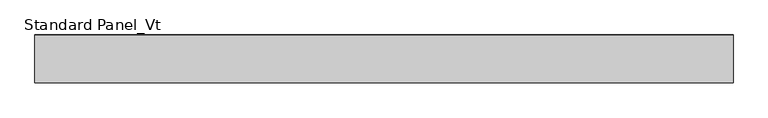
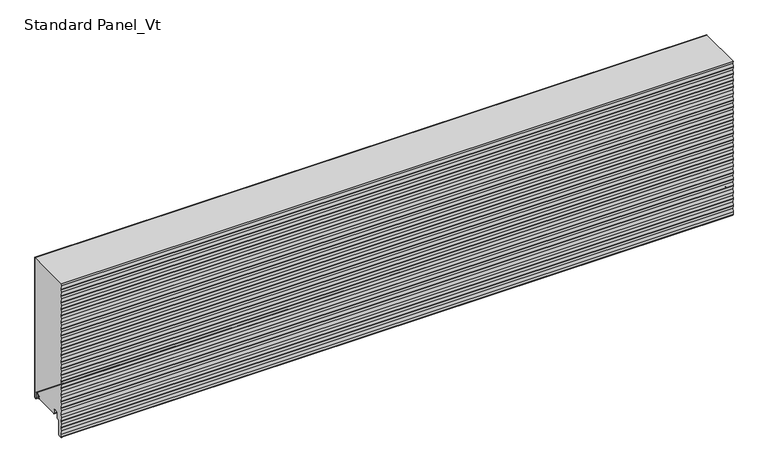
"""IFC4 building model written with IfcOpenShell, lengths in millimetres: proxy geometry, Standard Panel_Vt."""

from ifc_helpers import new_model, si_unit, point, frame, frame_2d, origin, place, context, project, spatial, polyline, circle_curve, trimmed, segment, composite_curve, outline, extrude, source, transform, mapped, element, save
from ifc_brep_helpers import plane_surface, cylinder_surface, revolved_surface, advanced_brep


def standard_panel_vt_c4888413(model_context):
    return source(origin(), model_context, "Body", "SolidModel", [
        advanced_brep(
        [(723.9042608, -16.8616061, 8.3748387), (723.9042608, -17.5608112, 13.298966), (723.9042608, -16.7687564, 13.4114344), (723.9042608, -16.0695512, 8.4873071), (723.9042608, -14.4896502, 8.460857), (723.9042608, -13.7270772, 12.7856233), (723.9042608, -4.2, 11.9521121), (723.9042608, -4.2, 2.4521121), (723.9042608, -0.8, 2.4521121), (723.9042608, -0.8, 320.0), (723.9042608, -98.9297841, 320.0), (723.9042608, -98.2307297, 314.7570927), (723.9042608, -99.1685508, 307.7234349), (723.9042608, -99.1685508, 306.770268), (723.9042608, -98.2307297, 299.7366102), (723.9042608, -99.1685508, 292.7029524), (723.9042608, -99.1685508, 291.7497855), (723.9042608, -98.2307297, 284.7161278), (723.9042608, -99.1685508, 277.68247), (723.9042608, -99.1685508, 276.7293031), (723.9042608, -98.2307297, 269.6956453), (723.9042608, -99.1685508, 262.6619875), (723.9042608, -99.1685508, 261.7088206), (723.9042608, -98.2307297, 254.6751629), (723.9042608, -99.1685508, 247.6415051), (723.9042608, -99.1685508, 246.6883382), (723.9042608, -98.2307297, 239.6546804), (723.9042608, -99.1685508, 232.6210227), (723.9042608, -99.1685508, 231.6678557), (723.9042608, -98.2307297, 224.634198), (723.9042608, -99.1685508, 217.6005402), (723.9042608, -99.1685508, 216.6473733), (723.9042608, -98.2307297, 209.6137155), (723.9042608, -99.1685508, 202.5800578), (723.9042608, -99.1685508, 201.6268908), (723.9042608, -98.2307297, 194.5932331), (723.9042608, -99.1685508, 187.5595753), (723.9042608, -99.1685508, 186.6064084), (723.9042608, -98.2307297, 179.5727507), (723.9042608, -99.1685508, 172.5390929), (723.9042608, -99.1685508, 171.585926), (723.9042608, -98.2307297, 164.5522682), (723.9042608, -99.1685508, 157.5186104), (723.9042608, -99.1685508, 156.5654435), (723.9042608, -98.2307297, 149.5317858), (723.9042608, -99.1685508, 142.498128), (723.9042608, -99.1685508, 141.5449611), (723.9042608, -98.2307297, 134.5113033), (723.9042608, -99.1685508, 127.4776455), (723.9042608, -99.1685508, 126.5244786), (723.9042608, -98.2307297, 119.4908209), (723.9042608, -99.1685508, 112.4571631), (723.9042608, -99.1685508, 111.5039962), (723.9042608, -98.2307297, 104.4703384), (723.9042608, -99.1685508, 97.4366807), (723.9042608, -99.1685508, 96.4835137), (723.9042608, -98.2307297, 89.449856), (723.9042608, -99.1685508, 82.4161982), (723.9042608, -99.1685508, 81.4630313), (723.9042608, -98.2307297, 74.4293735), (723.9042608, -99.1685508, 67.3957158), (723.9042608, -99.1685508, 66.4425488), (723.9042608, -98.2307297, 59.4088911), (723.9042608, -99.1685508, 52.3752333), (723.9042608, -99.1685508, 51.4220664), (723.9042608, -98.2307297, 44.3884087), (723.9042608, -99.1685508, 37.3547509), (723.9042608, -99.1685508, 36.401584), (723.9042608, -98.2307297, 29.3679262), (723.9042608, -99.2320952, 21.857685), (723.9042608, -98.2307297, 14.3474437), (723.9042608, -99.1685508, 7.313786), (723.9042608, -99.1685508, 6.3606191), (723.9042608, -98.2307297, -0.6730387), (723.9042608, -99.1685508, -7.7066964), (723.9042608, -99.1685508, -8.6598634), (723.9042608, -98.2307297, -15.6935211), (723.9042608, -99.2001678, -22.9643066), (723.9042608, -99.2001678, -28.9549199), (723.9042608, -96.199151, -31.704823), (723.9042608, -91.4524611, -31.2895029), (723.9042608, -88.8050506, -28.4003379), (723.9042608, -88.8050506, 1.2289307), (723.9042608, -86.4052467, 3.6287346), (723.9042608, -84.4052467, 3.6287346), (723.9042608, -82.8050506, 5.2289307), (723.9042608, -82.8050506, 15.8984215), (723.9042608, -79.6552467, 19.0482254), (723.9042608, -75.2552452, 19.0482254), (723.9042608, -72.1054412, 15.8984215), (723.9042608, -72.1054413, 8.1391937), (723.9042608, -71.3050506, 8.1391937), (723.9042608, -71.3050506, 9.509193), (723.9042608, -70.5050506, 9.509193), (723.9042608, -70.5050506, 8.1391937), (723.9042608, -71.327315, 7.000055), (723.9042608, -15.3042944, 7.0), (-723.9042608, -16.8616061, 8.3748387), (-723.9042608, -15.3042944, 7.0), (-723.9042608, -71.327315, 7.000055), (-723.9042608, -70.5050506, 8.1391937), (-723.9042608, -70.5050506, 9.509193), (-723.9042608, -71.3050506, 9.509193), (-723.9042608, -71.3050506, 8.1391937), (-723.9042608, -72.1054413, 8.1391937), (-723.9042608, -72.1054413, 15.8984215), (-723.9042608, -75.2552452, 19.0482254), (-723.9042608, -79.6552467, 19.0482254), (-723.9042608, -82.8050506, 15.8984215), (-723.9042608, -82.8050506, 5.2289307), (-723.9042608, -84.4052467, 3.6287346), (-723.9042608, -86.4052467, 3.6287346), (-723.9042608, -88.8050506, 1.2289307), (-723.9042608, -88.8050506, -28.4003379), (-723.9042608, -91.4524611, -31.2895029), (-723.9042608, -96.199151, -31.704823), (-723.9042608, -99.2001678, -28.9549199), (-723.9042608, -99.2001678, -22.9643066), (-723.9042608, -98.2307297, -15.6935211), (-723.9042608, -99.1685508, -8.6598634), (-723.9042608, -99.1685508, -7.7066964), (-723.9042608, -98.2307297, -0.6730387), (-723.9042608, -99.1685508, 6.3606191), (-723.9042608, -99.1685508, 7.313786), (-723.9042608, -98.2307297, 14.3474437), (-723.9042608, -99.2320952, 21.857685), (-723.9042608, -98.2307297, 29.3679262), (-723.9042608, -99.1685508, 36.401584), (-723.9042608, -99.1685508, 37.3547509), (-723.9042608, -98.2307297, 44.3884087), (-723.9042608, -99.1685508, 51.4220664), (-723.9042608, -99.1685508, 52.3752333), (-723.9042608, -98.2307297, 59.4088911), (-723.9042608, -99.1685508, 66.4425488), (-723.9042608, -99.1685508, 67.3957158), (-723.9042608, -98.2307297, 74.4293735), (-723.9042608, -99.1685508, 81.4630313), (-723.9042608, -99.1685508, 82.4161982), (-723.9042608, -98.2307297, 89.449856), (-723.9042608, -99.1685508, 96.4835137), (-723.9042608, -99.1685508, 97.4366807), (-723.9042608, -98.2307297, 104.4703384), (-723.9042608, -99.1685508, 111.5039962), (-723.9042608, -99.1685508, 112.4571631), (-723.9042608, -98.2307297, 119.4908209), (-723.9042608, -99.1685508, 126.5244786), (-723.9042608, -99.1685508, 127.4776455), (-723.9042608, -98.2307297, 134.5113033), (-723.9042608, -99.1685508, 141.5449611), (-723.9042608, -99.1685508, 142.498128), (-723.9042608, -98.2307297, 149.5317858), (-723.9042608, -99.1685508, 156.5654435), (-723.9042608, -99.1685508, 157.5186104), (-723.9042608, -98.2307297, 164.5522682), (-723.9042608, -99.1685508, 171.585926), (-723.9042608, -99.1685508, 172.5390929), (-723.9042608, -98.2307297, 179.5727507), (-723.9042608, -99.1685508, 186.6064084), (-723.9042608, -99.1685508, 187.5595753), (-723.9042608, -98.2307297, 194.5932331), (-723.9042608, -99.1685508, 201.6268908), (-723.9042608, -99.1685508, 202.5800578), (-723.9042608, -98.2307297, 209.6137155), (-723.9042608, -99.1685508, 216.6473733), (-723.9042608, -99.1685508, 217.6005402), (-723.9042608, -98.2307297, 224.634198), (-723.9042608, -99.1685508, 231.6678557), (-723.9042608, -99.1685508, 232.6210227), (-723.9042608, -98.2307297, 239.6546804), (-723.9042608, -99.1685508, 246.6883382), (-723.9042608, -99.1685508, 247.6415051), (-723.9042608, -98.2307297, 254.6751629), (-723.9042608, -99.1685508, 261.7088206), (-723.9042608, -99.1685508, 262.6619875), (-723.9042608, -98.2307297, 269.6956453), (-723.9042608, -99.1685508, 276.7293031), (-723.9042608, -99.1685508, 277.68247), (-723.9042608, -98.2307297, 284.7161278), (-723.9042608, -99.1685508, 291.7497855), (-723.9042608, -99.1685508, 292.7029524), (-723.9042608, -98.2307297, 299.7366102), (-723.9042608, -99.1685508, 306.770268), (-723.9042608, -99.1685508, 307.7234349), (-723.9042608, -98.2307297, 314.7570927), (-723.9042608, -98.9297841, 320.0), (-723.9042608, -0.8, 320.0), (-723.9042608, -0.8, 2.4521121), (-723.9042608, -4.2, 2.4521121), (-723.9042608, -4.2, 11.9521121), (-723.9042608, -13.7270772, 12.7856233), (-723.9042608, -14.4896502, 8.460857), (-723.9042608, -16.0695512, 8.4873071), (-723.9042608, -16.7687564, 13.4114344), (-723.9042608, -17.5608112, 13.298966)],
        [
            (0, 1),
            (1, 2),
            (2, 3),
            (3, 4, circle_curve(frame((723.9042608, -15.2774964, 8.5997756), z_axis=(1.0, 0.0, 0.0), x_axis=(0.0, 0.9848077530117169, -0.17364817766971632)), 0.8)),
            (4, 5),
            (5, 6, circle_curve(frame((723.9042608, -9.0, 11.9521121), z_axis=(-1.0, 0.0, 0.0), x_axis=(0.0, 1.0, 1.866951038208841e-12)), 4.8)),
            (6, 7),
            (7, 8, circle_curve(frame((723.9042608, -2.5, 2.4521121), z_axis=(1.0, 0.0, 0.0), x_axis=(0.0, 1.0, 2.9103830456776054e-12)), 1.7)),
            (8, 9),
            (9, 10),
            (10, 11),
            (11, 12),
            (12, 13, circle_curve(frame((723.9042608, -95.5941749, 307.2468514), z_axis=(1.0, 0.0, 0.0), x_axis=(0.0, -0.9912279006026581, -0.1321637206908423)), 3.6060082)),
            (13, 14),
            (14, 15),
            (15, 16, circle_curve(frame((723.9042608, -95.5941749, 292.226369), z_axis=(1.0, 0.0, 0.0), x_axis=(0.0, -0.991227900604324, -0.13216372067834886)), 3.6060082)),
            (16, 17),
            (17, 18),
            (18, 19, circle_curve(frame((723.9042608, -95.5941749, 277.2058865), z_axis=(1.0, 0.0, 0.0), x_axis=(0.0, -0.9912279006026437, -0.1321637206909507)), 3.6060082)),
            (19, 20),
            (20, 21),
            (21, 22, circle_curve(frame((723.9042608, -95.5941749, 262.1854041), z_axis=(1.0, 0.0, 0.0), x_axis=(0.0, -0.991227900604324, -0.13216372067834883)), 3.6060082)),
            (22, 23),
            (23, 24),
            (24, 25, circle_curve(frame((723.9042608, -95.5941749, 247.1649216), z_axis=(1.0, 0.0, 0.0), x_axis=(0.0, -0.9912279006026437, -0.1321637206909507)), 3.6060082)),
            (25, 26),
            (26, 27),
            (27, 28, circle_curve(frame((723.9042608, -95.5941749, 232.1444392), z_axis=(1.0, 0.0, 0.0), x_axis=(0.0, -0.9912279006026581, -0.13216372069084273)), 3.6060082)),
            (28, 29),
            (29, 30),
            (30, 31, circle_curve(frame((723.9042608, -95.5941749, 217.1239568), z_axis=(1.0, 0.0, 0.0), x_axis=(0.0, -0.991227900604324, -0.13216372067834886)), 3.6060082)),
            (31, 32),
            (32, 33),
            (33, 34, circle_curve(frame((723.9042608, -95.5941749, 202.1034743), z_axis=(1.0, 0.0, 0.0), x_axis=(0.0, -0.991227900604324, -0.13216372067834883)), 3.6060082)),
            (34, 35),
            (35, 36),
            (36, 37, circle_curve(frame((723.9042608, -95.5941749, 187.0829919), z_axis=(1.0, 0.0, 0.0), x_axis=(0.0, -0.991227900604324, -0.13216372067834883)), 3.6060082)),
            (37, 38),
            (38, 39),
            (39, 40, circle_curve(frame((723.9042608, -95.5941749, 172.0625094), z_axis=(1.0, 0.0, 0.0), x_axis=(0.0, -0.9912279006026581, -0.13216372069084228)), 3.6060082)),
            (40, 41),
            (41, 42),
            (42, 43, circle_curve(frame((723.9042608, -95.5941749, 157.042027), z_axis=(1.0, 0.0, 0.0), x_axis=(0.0, -0.991227900604324, -0.13216372067834883)), 3.6060082)),
            (43, 44),
            (44, 45),
            (45, 46, circle_curve(frame((723.9042608, -95.5941749, 142.0215445), z_axis=(1.0, 0.0, 0.0), x_axis=(0.0, -0.991227900604324, -0.13216372067834886)), 3.6060082)),
            (46, 47),
            (47, 48),
            (48, 49, circle_curve(frame((723.9042608, -95.5941749, 127.0010621), z_axis=(1.0, 0.0, 0.0), x_axis=(0.0, -0.991227900604324, -0.13216372067834886)), 3.6060082)),
            (49, 50),
            (50, 51),
            (51, 52, circle_curve(frame((723.9042608, -95.5941749, 111.9805796), z_axis=(1.0, 0.0, 0.0), x_axis=(0.0, -0.9912279006026437, -0.1321637206909507)), 3.6060082)),
            (52, 53),
            (53, 54),
            (54, 55, circle_curve(frame((723.9042608, -95.5941749, 96.9600972), z_axis=(1.0, 0.0, 0.0), x_axis=(0.0, -0.9912279006026581, -0.13216372069084228)), 3.6060082)),
            (55, 56),
            (56, 57),
            (57, 58, circle_curve(frame((723.9042608, -95.5941749, 81.9396148), z_axis=(1.0, 0.0, 0.0), x_axis=(0.0, -0.991227900604324, -0.13216372067834886)), 3.6060082)),
            (58, 59),
            (59, 60),
            (60, 61, circle_curve(frame((723.9042608, -95.5941749, 66.9191323), z_axis=(1.0, 0.0, 0.0), x_axis=(0.0, -0.9912279006026581, -0.13216372069084273)), 3.6060082)),
            (61, 62),
            (62, 63),
            (63, 64, circle_curve(frame((723.9042608, -95.5941749, 51.8986499), z_axis=(1.0, 0.0, 0.0), x_axis=(0.0, -0.991227900604324, -0.13216372067834886)), 3.6060082)),
            (64, 65),
            (65, 66),
            (66, 67, circle_curve(frame((723.9042608, -95.5941749, 36.8781674), z_axis=(1.0, 0.0, 0.0), x_axis=(0.0, -0.9912279006026437, -0.13216372069095067)), 3.6060082)),
            (67, 68),
            (68, 69),
            (69, 70),
            (70, 71),
            (71, 72, circle_curve(frame((723.9042608, -95.5941749, 6.8372025), z_axis=(1.0, 0.0, 0.0), x_axis=(0.0, -0.9912279006835754, -0.13216372008396318)), 3.6060082)),
            (72, 73),
            (73, 74),
            (74, 75, circle_curve(frame((723.9042608, -95.5941749, -8.1832799), z_axis=(1.0, 0.0, 0.0), x_axis=(0.0, -0.9912279006819383, -0.13216372009624072)), 3.6060082)),
            (75, 76),
            (76, 77),
            (77, 78),
            (78, 79, circle_curve(frame((723.9042608, -96.4397587, -28.9549199), z_axis=(1.0, 0.0, 0.0), x_axis=(0.0, 0.0872609266942445, -0.9961854900933168)), 2.7604092)),
            (79, 80),
            (80, 81, circle_curve(frame((723.9042608, -91.7052538, -28.4003379), z_axis=(1.0, 0.0, 0.0), x_axis=(0.0, 0.9999999982109751, -5.9816804062999516e-05)), 2.9002032)),
            (81, 82),
            (82, 83, circle_curve(frame((723.9042608, -86.4052467, 1.2289307), z_axis=(-1.0, 0.0, 0.0), x_axis=(0.0, -0.00012160837720593023, 0.9999999926057013)), 2.3998039)),
            (83, 84),
            (84, 85, circle_curve(frame((723.9042608, -84.4052467, 5.2289307), z_axis=(1.0, 0.0, 0.0), x_axis=(0.0, 0.9999999967149873, -8.105569452879044e-05)), 1.6001961)),
            (85, 86),
            (86, 87, circle_curve(frame((723.9042608, -79.6552467, 15.8984215), z_axis=(-1.0, 0.0, 0.0), x_axis=(0.0, -8.279395633477211e-05, 0.9999999965725804)), 3.1498039)),
            (87, 88),
            (88, 89, circle_curve(frame((723.9042608, -75.2552452, 15.8984215), z_axis=(-1.0, 0.0, 0.0), x_axis=(0.0, 0.9999999965725807, -8.279395323189944e-05)), 3.1498039)),
            (89, 90),
            (90, 91, circle_curve(frame((723.9042608, -71.7052459, 8.1391937), z_axis=(1.0, 0.0, 0.0), x_axis=(0.0, 1.0, 0.0)), 0.4001953)),
            (91, 92),
            (92, 93),
            (93, 94),
            (94, 95, circle_curve(frame((723.9042608, -71.7052459, 8.1391937), z_axis=(-1.0, 0.0, 0.0), x_axis=(0.0, 1.0, 0.0)), 1.2001953)),
            (95, 96),
            (96, 0, circle_curve(frame((723.9042608, -15.2774964, 8.5997756), z_axis=(-1.0, 0.0, 0.0), x_axis=(0.0, 0.9848077530117169, -0.17364817766971632)), 1.6)),
            (97, 98, circle_curve(frame((-723.9042608, -15.2774964, 8.5997756), z_axis=(1.0, 0.0, 0.0), x_axis=(0.0, 0.9848077530117169, -0.17364817766971632)), 1.6)),
            (98, 99),
            (99, 100, circle_curve(frame((-723.9042608, -71.7052459, 8.1391937), z_axis=(1.0, 0.0, 0.0), x_axis=(0.0, 1.0, 0.0)), 1.2001953)),
            (100, 101),
            (101, 102),
            (102, 103),
            (103, 104, circle_curve(frame((-723.9042608, -71.7052459, 8.1391937), z_axis=(-1.0, 0.0, 0.0), x_axis=(0.0, 1.0, 0.0)), 0.4001953)),
            (104, 105),
            (105, 106, circle_curve(frame((-723.9042608, -75.2552452, 15.8984215), z_axis=(1.0, 0.0, 0.0), x_axis=(0.0, 0.9999999965725807, -8.279395323189944e-05)), 3.1498039)),
            (106, 107),
            (107, 108, circle_curve(frame((-723.9042608, -79.6552467, 15.8984215), z_axis=(1.0, 0.0, 0.0), x_axis=(0.0, -8.279395633477211e-05, 0.9999999965725804)), 3.1498039)),
            (108, 109),
            (109, 110, circle_curve(frame((-723.9042608, -84.4052467, 5.2289307), z_axis=(-1.0, 0.0, 0.0), x_axis=(0.0, 0.9999999967149873, -8.105569452879044e-05)), 1.6001961)),
            (110, 111),
            (111, 112, circle_curve(frame((-723.9042608, -86.4052467, 1.2289307), z_axis=(1.0, 0.0, 0.0), x_axis=(0.0, -0.00012160837720593023, 0.9999999926057013)), 2.3998039)),
            (112, 113),
            (113, 114, circle_curve(frame((-723.9042608, -91.7052538, -28.4003379), z_axis=(-1.0, 0.0, 0.0), x_axis=(0.0, 0.9999999982109751, -5.9816804062999516e-05)), 2.9002032)),
            (114, 115),
            (115, 116, circle_curve(frame((-723.9042608, -96.4397587, -28.9549199), z_axis=(-1.0, 0.0, 0.0), x_axis=(0.0, 0.0872609266942445, -0.9961854900933168)), 2.7604092)),
            (116, 117),
            (117, 118),
            (118, 119),
            (119, 120, circle_curve(frame((-723.9042608, -95.5941749, -8.1832799), z_axis=(-1.0, 0.0, 0.0), x_axis=(0.0, -0.9912279006819383, -0.13216372009624072)), 3.6060082)),
            (120, 121),
            (121, 122),
            (122, 123, circle_curve(frame((-723.9042608, -95.5941749, 6.8372025), z_axis=(-1.0, 0.0, 0.0), x_axis=(0.0, -0.9912279006835754, -0.13216372008396318)), 3.6060082)),
            (123, 124),
            (124, 125),
            (125, 126),
            (126, 127),
            (127, 128, circle_curve(frame((-723.9042608, -95.5941749, 36.8781674), z_axis=(-1.0, 0.0, 0.0), x_axis=(0.0, -0.9912279006026437, -0.13216372069095067)), 3.6060082)),
            (128, 129),
            (129, 130),
            (130, 131, circle_curve(frame((-723.9042608, -95.5941749, 51.8986499), z_axis=(-1.0, 0.0, 0.0), x_axis=(0.0, -0.991227900604324, -0.13216372067834886)), 3.6060082)),
            (131, 132),
            (132, 133),
            (133, 134, circle_curve(frame((-723.9042608, -95.5941749, 66.9191323), z_axis=(-1.0, 0.0, 0.0), x_axis=(0.0, -0.9912279006026581, -0.13216372069084273)), 3.6060082)),
            (134, 135),
            (135, 136),
            (136, 137, circle_curve(frame((-723.9042608, -95.5941749, 81.9396148), z_axis=(-1.0, 0.0, 0.0), x_axis=(0.0, -0.991227900604324, -0.13216372067834886)), 3.6060082)),
            (137, 138),
            (138, 139),
            (139, 140, circle_curve(frame((-723.9042608, -95.5941749, 96.9600972), z_axis=(-1.0, 0.0, 0.0), x_axis=(0.0, -0.9912279006026581, -0.13216372069084228)), 3.6060082)),
            (140, 141),
            (141, 142),
            (142, 143, circle_curve(frame((-723.9042608, -95.5941749, 111.9805796), z_axis=(-1.0, 0.0, 0.0), x_axis=(0.0, -0.9912279006026437, -0.1321637206909507)), 3.6060082)),
            (143, 144),
            (144, 145),
            (145, 146, circle_curve(frame((-723.9042608, -95.5941749, 127.0010621), z_axis=(-1.0, 0.0, 0.0), x_axis=(0.0, -0.991227900604324, -0.13216372067834886)), 3.6060082)),
            (146, 147),
            (147, 148),
            (148, 149, circle_curve(frame((-723.9042608, -95.5941749, 142.0215445), z_axis=(-1.0, 0.0, 0.0), x_axis=(0.0, -0.991227900604324, -0.13216372067834886)), 3.6060082)),
            (149, 150),
            (150, 151),
            (151, 152, circle_curve(frame((-723.9042608, -95.5941749, 157.042027), z_axis=(-1.0, 0.0, 0.0), x_axis=(0.0, -0.991227900604324, -0.13216372067834883)), 3.6060082)),
            (152, 153),
            (153, 154),
            (154, 155, circle_curve(frame((-723.9042608, -95.5941749, 172.0625094), z_axis=(-1.0, 0.0, 0.0), x_axis=(0.0, -0.9912279006026581, -0.13216372069084228)), 3.6060082)),
            (155, 156),
            (156, 157),
            (157, 158, circle_curve(frame((-723.9042608, -95.5941749, 187.0829919), z_axis=(-1.0, 0.0, 0.0), x_axis=(0.0, -0.991227900604324, -0.13216372067834883)), 3.6060082)),
            (158, 159),
            (159, 160),
            (160, 161, circle_curve(frame((-723.9042608, -95.5941749, 202.1034743), z_axis=(-1.0, 0.0, 0.0), x_axis=(0.0, -0.991227900604324, -0.13216372067834883)), 3.6060082)),
            (161, 162),
            (162, 163),
            (163, 164, circle_curve(frame((-723.9042608, -95.5941749, 217.1239568), z_axis=(-1.0, 0.0, 0.0), x_axis=(0.0, -0.991227900604324, -0.13216372067834886)), 3.6060082)),
            (164, 165),
            (165, 166),
            (166, 167, circle_curve(frame((-723.9042608, -95.5941749, 232.1444392), z_axis=(-1.0, 0.0, 0.0), x_axis=(0.0, -0.9912279006026581, -0.13216372069084273)), 3.6060082)),
            (167, 168),
            (168, 169),
            (169, 170, circle_curve(frame((-723.9042608, -95.5941749, 247.1649216), z_axis=(-1.0, 0.0, 0.0), x_axis=(0.0, -0.9912279006026437, -0.1321637206909507)), 3.6060082)),
            (170, 171),
            (171, 172),
            (172, 173, circle_curve(frame((-723.9042608, -95.5941749, 262.1854041), z_axis=(-1.0, 0.0, 0.0), x_axis=(0.0, -0.991227900604324, -0.13216372067834883)), 3.6060082)),
            (173, 174),
            (174, 175),
            (175, 176, circle_curve(frame((-723.9042608, -95.5941749, 277.2058865), z_axis=(-1.0, 0.0, 0.0), x_axis=(0.0, -0.9912279006026437, -0.1321637206909507)), 3.6060082)),
            (176, 177),
            (177, 178),
            (178, 179, circle_curve(frame((-723.9042608, -95.5941749, 292.226369), z_axis=(-1.0, 0.0, 0.0), x_axis=(0.0, -0.991227900604324, -0.13216372067834886)), 3.6060082)),
            (179, 180),
            (180, 181),
            (181, 182, circle_curve(frame((-723.9042608, -95.5941749, 307.2468514), z_axis=(-1.0, 0.0, 0.0), x_axis=(0.0, -0.9912279006026581, -0.1321637206908423)), 3.6060082)),
            (182, 183),
            (183, 184),
            (184, 185),
            (185, 186),
            (186, 187, circle_curve(frame((-723.9042608, -2.5, 2.4521121), z_axis=(-1.0, 0.0, 0.0), x_axis=(0.0, 1.0, 2.9103830456776054e-12)), 1.7)),
            (187, 188),
            (188, 189, circle_curve(frame((-723.9042608, -9.0, 11.9521121), z_axis=(1.0, 0.0, 0.0), x_axis=(0.0, 1.0, 1.866951038208841e-12)), 4.8)),
            (189, 190),
            (190, 191, circle_curve(frame((-723.9042608, -15.2774964, 8.5997756), z_axis=(-1.0, 0.0, 0.0), x_axis=(0.0, 0.9848077530117169, -0.17364817766971632)), 0.8)),
            (191, 192),
            (192, 193),
            (193, 97),
            (95, 99),
            (98, 96),
            (185, 9),
            (8, 186),
            (7, 187),
            (6, 188),
            (5, 189),
            (4, 190),
            (3, 191),
            (2, 192),
            (1, 193),
            (0, 97),
            (184, 10),
            (183, 11),
            (182, 12),
            (181, 13),
            (180, 14),
            (179, 15),
            (178, 16),
            (177, 17),
            (176, 18),
            (175, 19),
            (174, 20),
            (173, 21),
            (172, 22),
            (171, 23),
            (170, 24),
            (169, 25),
            (168, 26),
            (167, 27),
            (166, 28),
            (165, 29),
            (164, 30),
            (163, 31),
            (162, 32),
            (161, 33),
            (160, 34),
            (159, 35),
            (158, 36),
            (157, 37),
            (156, 38),
            (155, 39),
            (154, 40),
            (153, 41),
            (152, 42),
            (151, 43),
            (150, 44),
            (149, 45),
            (148, 46),
            (147, 47),
            (146, 48),
            (145, 49),
            (144, 50),
            (143, 51),
            (142, 52),
            (141, 53),
            (140, 54),
            (139, 55),
            (138, 56),
            (137, 57),
            (136, 58),
            (135, 59),
            (134, 60),
            (133, 61),
            (132, 62),
            (131, 63),
            (130, 64),
            (129, 65),
            (128, 66),
            (127, 67),
            (126, 68),
            (125, 69),
            (124, 70),
            (123, 71),
            (122, 72),
            (121, 73),
            (120, 74),
            (119, 75),
            (118, 76),
            (117, 77),
            (116, 78),
            (115, 79),
            (114, 80),
            (113, 81),
            (112, 82),
            (111, 83),
            (110, 84),
            (109, 85),
            (108, 86),
            (107, 87),
            (106, 88),
            (105, 89),
            (104, 90),
            (103, 91),
            (102, 92),
            (101, 93),
            (100, 94),
        ],
        [
            plane_surface(frame((723.9042608, -70.3050506, 1046.5521121), z_axis=(1.0, 0.0, 0.0), x_axis=(0.0, 0.0, 1.0))),
            plane_surface(frame((-723.9042608, -70.3050506, 1046.5521121), z_axis=(-1.0, 0.0, 0.0), x_axis=(0.0, 0.0, -1.0))),
            plane_surface(frame((723.9042608, -17.7608112, 7.0), z_axis=(0.0, 0.0, -1.0), x_axis=(-1.0, 0.0, 0.0))),
            plane_surface(frame((-723.9042608, -0.8, 2.4521121), z_axis=(0.0, 1.0, 0.0), x_axis=(1.0, 0.0, 0.0))),
            cylinder_surface(frame((-723.9042608, -2.5, 2.4521121), z_axis=(-1.0, 0.0, 0.0), x_axis=(0.0, 1.0, 2.9103830456776054e-12)), 1.7),
            plane_surface(frame((-723.9042608, -4.2, 11.9521121), z_axis=(0.0, -1.0, 0.0), x_axis=(1.0, 0.0, 0.0))),
            revolved_surface(polyline([(723.9042608, -4.2, 11.952112100008963), (-723.9042608, -4.2, 11.952112100008963)]), (-723.9042608, -9.0, 11.9521121), (1.0, 0.0, 0.0)),
            plane_surface(frame((-723.9042608, -14.4896502, 8.460857), z_axis=(0.0, 0.9848077530121855, -0.17364817766705862), x_axis=(1.0, 0.0, 0.0))),
            cylinder_surface(frame((-723.9042608, -15.2774964, 8.5997756), z_axis=(-1.0000000000000002, 0.0, 0.0), x_axis=(0.0, 0.9848077530117169, -0.17364817766971632)), 0.8),
            plane_surface(frame((-723.9042608, -16.7687564, 13.4114344), z_axis=(0.0, -0.9900685376978281, -0.1405855279212071), x_axis=(1.0, 0.0, 0.0))),
            plane_surface(frame((-723.9042608, -17.5608112, 13.298966), z_axis=(0.0, 0.14058552792117013, -0.9900685376978333), x_axis=(1.0, 0.0, 0.0))),
            plane_surface(frame((-723.9042608, -16.8616061, 8.3748387), z_axis=(0.0, 0.9900685376978282, 0.14058552792120682), x_axis=(1.0, 0.0, 0.0))),
            revolved_surface(polyline([(723.9042608000004, -13.701803995181253, 8.321938515728453), (-723.9042608, -13.701803995181253, 8.321938515728453)]), (-723.9042608, -15.2774964, 8.5997756), (1.0000000000000002, 0.0, 0.0)),
            plane_surface(frame((723.9042608, 0.0, 320.0), z_axis=(0.0, 0.0, 1.0), x_axis=(-1.0, 0.0, 0.0))),
            plane_surface(frame((-723.9042608, -99.1685508, 321.7907504), z_axis=(0.0, -0.9912279006005887, -0.13216372070636292), x_axis=(1.0, 0.0, 0.0))),
            plane_surface(frame((-723.9042608, -98.2307297, 314.7570927), z_axis=(0.0, -0.9912279006858806, 0.13216372006667362), x_axis=(1.0, 0.0, 0.0))),
            cylinder_surface(frame((-723.9042608, -95.5941749, 307.2468514), z_axis=(-1.0, 0.0, 0.0), x_axis=(0.0, -0.9912279006026581, -0.1321637206908423)), 3.6060082),
            plane_surface(frame((-723.9042608, -99.1685508, 306.770268), z_axis=(0.0, -0.991227900600589, -0.132163720706361), x_axis=(1.0, 0.0, 0.0))),
            plane_surface(frame((-723.9042608, -98.2307297, 299.7366102), z_axis=(0.0, -0.9912279006858443, 0.13216372006694557), x_axis=(1.0, 0.0, 0.0))),
            cylinder_surface(frame((-723.9042608, -95.5941749, 292.226369), z_axis=(-1.0000000000000002, 0.0, 0.0), x_axis=(0.0, -0.991227900604324, -0.13216372067834886)), 3.6060082),
            plane_surface(frame((-723.9042608, -99.1685508, 291.7497855), z_axis=(0.0, -0.9912279006005164, -0.13216372070690602), x_axis=(1.0, 0.0, 0.0))),
            plane_surface(frame((-723.9042608, -98.2307297, 284.7161278), z_axis=(0.0, -0.9912279006859167, 0.13216372006640312), x_axis=(1.0, 0.0, 0.0))),
            cylinder_surface(frame((-723.9042608, -95.5941749, 277.2058865), z_axis=(-1.0, 0.0, 0.0), x_axis=(0.0, -0.9912279006026437, -0.1321637206909507)), 3.6060082),
            plane_surface(frame((-723.9042608, -99.1685508, 276.7293031), z_axis=(0.0, -0.9912279006004433, -0.13216372070745358), x_axis=(1.0, 0.0, 0.0))),
            plane_surface(frame((-723.9042608, -98.2307297, 269.6956453), z_axis=(0.0, -0.991227900685917, 0.1321637200664009), x_axis=(1.0, 0.0, 0.0))),
            cylinder_surface(frame((-723.9042608, -95.5941749, 262.1854041), z_axis=(-1.0000000000000002, 0.0, 0.0), x_axis=(0.0, -0.991227900604324, -0.13216372067834883)), 3.6060082),
            plane_surface(frame((-723.9042608, -99.1685508, 261.7088206), z_axis=(0.0, -0.9912279006003343, -0.13216372070827082), x_axis=(1.0, 0.0, 0.0))),
            plane_surface(frame((-723.9042608, -98.2307297, 254.6751629), z_axis=(0.0, -0.9912279006855717, 0.13216372006899083), x_axis=(1.0, 0.0, 0.0))),
            cylinder_surface(frame((-723.9042608, -95.5941749, 247.1649216), z_axis=(-1.0, 0.0, 0.0), x_axis=(0.0, -0.9912279006026437, -0.1321637206909507)), 3.6060082),
            plane_surface(frame((-723.9042608, -99.1685508, 246.6883382), z_axis=(0.0, -0.9912279006005161, -0.13216372070690763), x_axis=(1.0, 0.0, 0.0))),
            plane_surface(frame((-723.9042608, -98.2307297, 239.6546804), z_axis=(0.0, -0.9912279006858442, 0.13216372006694654), x_axis=(1.0, 0.0, 0.0))),
            cylinder_surface(frame((-723.9042608, -95.5941749, 232.1444392), z_axis=(-1.0000000000000002, 0.0, 0.0), x_axis=(0.0, -0.9912279006026581, -0.13216372069084273)), 3.6060082),
            plane_surface(frame((-723.9042608, -99.1685508, 231.6678557), z_axis=(0.0, -0.9912279006005161, -0.13216372070690763), x_axis=(1.0, 0.0, 0.0))),
            plane_surface(frame((-723.9042608, -98.2307297, 224.634198), z_axis=(0.0, -0.9912279006858443, 0.13216372006694624), x_axis=(1.0, 0.0, 0.0))),
            cylinder_surface(frame((-723.9042608, -95.5941749, 217.1239568), z_axis=(-1.0000000000000002, 0.0, 0.0), x_axis=(0.0, -0.991227900604324, -0.13216372067834886)), 3.6060082),
            plane_surface(frame((-723.9042608, -99.1685508, 216.6473733), z_axis=(0.0, -0.9912279006005887, -0.13216372070636243), x_axis=(1.0, 0.0, 0.0))),
            plane_surface(frame((-723.9042608, -98.2307297, 209.6137155), z_axis=(0.0, -0.9912279006858442, 0.13216372006694685), x_axis=(1.0, 0.0, 0.0))),
            cylinder_surface(frame((-723.9042608, -95.5941749, 202.1034743), z_axis=(-1.0000000000000002, 0.0, 0.0), x_axis=(0.0, -0.991227900604324, -0.13216372067834883)), 3.6060082),
            plane_surface(frame((-723.9042608, -99.1685508, 201.6268908), z_axis=(0.0, -0.9912279006003161, -0.13216372070840735), x_axis=(1.0, 0.0, 0.0))),
            plane_surface(frame((-723.9042608, -98.2307297, 194.5932331), z_axis=(0.0, -0.9912279006857718, 0.13216372006749028), x_axis=(1.0, 0.0, 0.0))),
            cylinder_surface(frame((-723.9042608, -95.5941749, 187.0829919), z_axis=(-1.0000000000000002, 0.0, 0.0), x_axis=(0.0, -0.991227900604324, -0.13216372067834883)), 3.6060082),
            plane_surface(frame((-723.9042608, -99.1685508, 186.6064084), z_axis=(0.0, -0.9912279006003161, -0.13216372070840735), x_axis=(1.0, 0.0, 0.0))),
            plane_surface(frame((-723.9042608, -98.2307297, 179.5727507), z_axis=(0.0, -0.9912279006854989, 0.13216372006953614), x_axis=(1.0, 0.0, 0.0))),
            cylinder_surface(frame((-723.9042608, -95.5941749, 172.0625094), z_axis=(-1.0, 0.0, 0.0), x_axis=(0.0, -0.9912279006026581, -0.13216372069084228)), 3.6060082),
            plane_surface(frame((-723.9042608, -99.1685508, 171.585926), z_axis=(0.0, -0.9912279006004434, -0.13216372070745228), x_axis=(1.0, 0.0, 0.0))),
            plane_surface(frame((-723.9042608, -98.2307297, 164.5522682), z_axis=(0.0, -0.991227900685917, 0.1321637200664009), x_axis=(1.0, 0.0, 0.0))),
            cylinder_surface(frame((-723.9042608, -95.5941749, 157.042027), z_axis=(-1.0000000000000002, 0.0, 0.0), x_axis=(0.0, -0.991227900604324, -0.13216372067834883)), 3.6060082),
            plane_surface(frame((-723.9042608, -99.1685508, 156.5654435), z_axis=(0.0, -0.9912279006005887, -0.13216372070636306), x_axis=(1.0, 0.0, 0.0))),
            plane_surface(frame((-723.9042608, -98.2307297, 149.5317858), z_axis=(0.0, -0.9912279006861171, 0.13216372006490018), x_axis=(1.0, 0.0, 0.0))),
            cylinder_surface(frame((-723.9042608, -95.5941749, 142.0215445), z_axis=(-1.0000000000000002, 0.0, 0.0), x_axis=(0.0, -0.991227900604324, -0.13216372067834886)), 3.6060082),
            plane_surface(frame((-723.9042608, -99.1685508, 141.5449611), z_axis=(0.0, -0.9912279006005157, -0.13216372070691015), x_axis=(1.0, 0.0, 0.0))),
            plane_surface(frame((-723.9042608, -98.2307297, 134.5113033), z_axis=(0.0, -0.9912279006858442, 0.13216372006694685), x_axis=(1.0, 0.0, 0.0))),
            cylinder_surface(frame((-723.9042608, -95.5941749, 127.0010621), z_axis=(-1.0000000000000002, 0.0, 0.0), x_axis=(0.0, -0.991227900604324, -0.13216372067834886)), 3.6060082),
            plane_surface(frame((-723.9042608, -99.1685508, 126.5244786), z_axis=(0.0, -0.9912279006003163, -0.1321637207084061), x_axis=(1.0, 0.0, 0.0))),
            plane_surface(frame((-723.9042608, -98.2307297, 119.4908209), z_axis=(0.0, -0.9912279006855715, 0.1321637200689921), x_axis=(1.0, 0.0, 0.0))),
            cylinder_surface(frame((-723.9042608, -95.5941749, 111.9805796), z_axis=(-1.0, 0.0, 0.0), x_axis=(0.0, -0.9912279006026437, -0.1321637206909507)), 3.6060082),
            plane_surface(frame((-723.9042608, -99.1685508, 111.5039962), z_axis=(0.0, -0.9912279006002435, -0.13216372070895235), x_axis=(1.0, 0.0, 0.0))),
            plane_surface(frame((-723.9042608, -98.2307297, 104.4703384), z_axis=(0.0, -0.9912279006855714, 0.13216372006899255), x_axis=(1.0, 0.0, 0.0))),
            cylinder_surface(frame((-723.9042608, -95.5941749, 96.9600972), z_axis=(-1.0, 0.0, 0.0), x_axis=(0.0, -0.9912279006026581, -0.13216372069084228)), 3.6060082),
            plane_surface(frame((-723.9042608, -99.1685508, 96.4835137), z_axis=(0.0, -0.9912279006005892, -0.13216372070635926), x_axis=(1.0, 0.0, 0.0))),
            plane_surface(frame((-723.9042608, -98.2307297, 89.449856), z_axis=(0.0, -0.9912279006858445, 0.1321637200669445), x_axis=(1.0, 0.0, 0.0))),
            cylinder_surface(frame((-723.9042608, -95.5941749, 81.9396148), z_axis=(-1.0000000000000002, 0.0, 0.0), x_axis=(0.0, -0.991227900604324, -0.13216372067834886)), 3.6060082),
            plane_surface(frame((-723.9042608, -99.1685508, 81.4630313), z_axis=(0.0, -0.9912279006005892, -0.13216372070635943), x_axis=(1.0, 0.0, 0.0))),
            plane_surface(frame((-723.9042608, -98.2307297, 74.4293735), z_axis=(0.0, -0.9912279006857718, 0.1321637200674895), x_axis=(1.0, 0.0, 0.0))),
            cylinder_surface(frame((-723.9042608, -95.5941749, 66.9191323), z_axis=(-1.0000000000000002, 0.0, 0.0), x_axis=(0.0, -0.9912279006026581, -0.13216372069084273)), 3.6060082),
            plane_surface(frame((-723.9042608, -99.1685508, 66.4425488), z_axis=(0.0, -0.9912279006005164, -0.1321637207069052), x_axis=(1.0, 0.0, 0.0))),
            plane_surface(frame((-723.9042608, -98.2307297, 59.4088911), z_axis=(0.0, -0.9912279006859174, 0.1321637200663985), x_axis=(1.0, 0.0, 0.0))),
            cylinder_surface(frame((-723.9042608, -95.5941749, 51.8986499), z_axis=(-1.0000000000000002, 0.0, 0.0), x_axis=(0.0, -0.991227900604324, -0.13216372067834886)), 3.6060082),
            plane_surface(frame((-723.9042608, -99.1685508, 51.4220664), z_axis=(0.0, -0.9912279006002435, -0.13216372070895205), x_axis=(1.0, 0.0, 0.0))),
            plane_surface(frame((-723.9042608, -98.2307297, 44.3884087), z_axis=(0.0, -0.9912279006856448, 0.1321637200684425), x_axis=(1.0, 0.0, 0.0))),
            cylinder_surface(frame((-723.9042608, -95.5941749, 36.8781674), z_axis=(-1.0, 0.0, 0.0), x_axis=(0.0, -0.9912279006026437, -0.13216372069095067)), 3.6060082),
            plane_surface(frame((-723.9042608, -99.1685508, 36.401584), z_axis=(0.0, -0.9912279006005165, -0.13216372070690457), x_axis=(1.0, 0.0, 0.0))),
            plane_surface(frame((-723.9042608, -98.2307297, 29.3679262), z_axis=(0.0, -0.9912279006858444, 0.13216372006694505), x_axis=(1.0, 0.0, 0.0))),
            plane_surface(frame((-723.9042608, -99.2320952, 21.857685), z_axis=(0.0, -0.9912279006858438, -0.1321637200669503), x_axis=(1.0, 0.0, 0.0))),
            plane_surface(frame((-723.9042608, -98.2307297, 14.3474437), z_axis=(0.0, -0.9912279006005172, 0.13216372070689883), x_axis=(1.0, 0.0, 0.0))),
            cylinder_surface(frame((-723.9042608, -95.5941749, 6.8372025), z_axis=(-1.0000000000000002, 0.0, 0.0), x_axis=(0.0, -0.9912279006835754, -0.13216372008396318)), 3.6060082),
            plane_surface(frame((-723.9042608, -99.1685508, 6.3606191), z_axis=(0.0, -0.9912279006856437, -0.13216372006845062), x_axis=(1.0, 0.0, 0.0))),
            plane_surface(frame((-723.9042608, -98.2307297, -0.6730387), z_axis=(0.0, -0.9912279006001721, 0.13216372070948798), x_axis=(1.0, 0.0, 0.0))),
            cylinder_surface(frame((-723.9042608, -95.5941749, -8.1832799), z_axis=(-1.0, 0.0, 0.0), x_axis=(0.0, -0.9912279006819383, -0.13216372009624072)), 3.6060082),
            plane_surface(frame((-723.9042608, -99.1685508, -8.6598634), z_axis=(0.0, -0.9912279006858439, -0.1321637200669496), x_axis=(1.0, 0.0, 0.0))),
            plane_surface(frame((-723.9042608, -98.2307297, -15.6935211), z_axis=(0.0, -0.9912279006005172, 0.13216372070689905), x_axis=(1.0, 0.0, 0.0))),
            plane_surface(frame((-723.9042608, -99.2001678, -22.9643066), z_axis=(0.0, -1.0, 0.0), x_axis=(1.0, 0.0, 0.0))),
            cylinder_surface(frame((-723.9042608, -96.4397587, -28.9549199), z_axis=(-1.0000000000000002, 0.0, 0.0), x_axis=(0.0, 0.0872609266942445, -0.9961854900933168)), 2.7604092),
            plane_surface(frame((-723.9042608, -96.199151, -31.704823), z_axis=(0.0, 0.08716377183128048, -0.9961939956053462), x_axis=(1.0, 0.0, 0.0))),
            cylinder_surface(frame((-723.9042608, -91.7052538, -28.4003379), z_axis=(-1.0000000000000002, 0.0, 0.0), x_axis=(0.0, 0.9999999982109751, -5.9816804062999516e-05)), 2.9002032),
            plane_surface(frame((-723.9042608, -88.8050506, -28.4003379), z_axis=(0.0, 1.0, 0.0), x_axis=(1.0, 0.0, 0.0))),
            revolved_surface(polyline([(723.9042608, -86.4055385362579, 3.6287345822551336), (-723.9042608, -86.4055385362579, 3.6287345822551336)]), (-723.9042608, -86.4052467, 1.2289307), (1.0, 0.0, 0.0)),
            plane_surface(frame((-723.9042608, -86.4052467, 3.6287346), z_axis=(0.0, 0.0, -1.0), x_axis=(1.0, 0.0, 0.0))),
            cylinder_surface(frame((-723.9042608, -84.4052467, 5.2289307), z_axis=(-1.0000000000000002, 0.0, 0.0), x_axis=(0.0, 0.9999999967149873, -8.105569452879044e-05)), 1.6001961),
            plane_surface(frame((-723.9042608, -82.8050506, 5.2289307), z_axis=(0.0, 1.0, 0.0), x_axis=(1.0, 0.0, 0.0))),
            revolved_surface(polyline([(723.9042608, -79.65550748472657, 19.0482253892043), (-723.9042608, -79.65550748472657, 19.0482253892043)]), (-723.9042608, -79.6552467, 15.8984215), (1.0, 0.0, 0.0)),
            plane_surface(frame((-723.9042608, -79.6552467, 19.0482254), z_axis=(0.0, 0.0, -1.0), x_axis=(1.0, 0.0, 0.0))),
            revolved_surface(polyline([(723.9042608, -72.1054413107957, 15.898160715283213), (-723.9042608, -72.1054413107957, 15.898160715283213)]), (-723.9042608, -75.2552452, 15.8984215), (1.0, 0.0, 0.0)),
            plane_surface(frame((-723.9042608, -72.1054413, 15.8984215), z_axis=(0.0, -1.0, 0.0), x_axis=(1.0, 0.0, 0.0))),
            cylinder_surface(frame((-723.9042608, -71.7052459, 8.1391937), z_axis=(-1.0, 0.0, 0.0), x_axis=(0.0, 1.0, 0.0)), 0.4001953),
            plane_surface(frame((-723.9042608, -71.3050506, 8.1391937), z_axis=(0.0, 1.0, 0.0), x_axis=(1.0, 0.0, 0.0))),
            plane_surface(frame((-723.9042608, -71.3050506, 9.509193), z_axis=(0.0, 0.0, -1.0), x_axis=(1.0, 0.0, 0.0))),
            plane_surface(frame((-723.9042608, -70.5050506, 9.509193), z_axis=(0.0, -1.0, 0.0), x_axis=(1.0, 0.0, 0.0))),
            revolved_surface(polyline([(723.9042608, -70.50505059999999, 8.1391937), (-723.9042608, -70.50505059999999, 8.1391937)]), (-723.9042608, -71.7052459, 8.1391937), (1.0, 0.0, 0.0)),
        ],
        [
            (0, [[1, 2, 3, 4, 5, 6, 7, 8, 9, 10, 11, 12, 13, 14, 15, 16, 17, 18, 19, 20, 21, 22, 23, 24, 25, 26, 27, 28, 29, 30, 31, 32, 33, 34, 35, 36, 37, 38, 39, 40, 41, 42, 43, 44, 45, 46, 47, 48, 49, 50, 51, 52, 53, 54, 55, 56, 57, 58, 59, 60, 61, 62, 63, 64, 65, 66, 67, 68, 69, 70, 71, 72, 73, 74, 75, 76, 77, 78, 79, 80, 81, 82, 83, 84, 85, 86, 87, 88, 89, 90, 91, 92, 93, 94, 95, 96, 97]]),
            (1, [[98, 99, 100, 101, 102, 103, 104, 105, 106, 107, 108, 109, 110, 111, 112, 113, 114, 115, 116, 117, 118, 119, 120, 121, 122, 123, 124, 125, 126, 127, 128, 129, 130, 131, 132, 133, 134, 135, 136, 137, 138, 139, 140, 141, 142, 143, 144, 145, 146, 147, 148, 149, 150, 151, 152, 153, 154, 155, 156, 157, 158, 159, 160, 161, 162, 163, 164, 165, 166, 167, 168, 169, 170, 171, 172, 173, 174, 175, 176, 177, 178, 179, 180, 181, 182, 183, 184, 185, 186, 187, 188, 189, 190, 191, 192, 193, 194]]),
            (2, [[-96, 195, -99, 196]]),
            (3, [[-186, 197, -9, 198]]),
            (4, [[-198, -8, 199, -187]]),
            (5, [[-199, -7, 200, -188]]),
            (6, [[-200, -6, 201, -189]]),
            (7, [[-201, -5, 202, -190]]),
            (8, [[-202, -4, 203, -191]]),
            (9, [[-203, -3, 204, -192]]),
            (10, [[-204, -2, 205, -193]]),
            (11, [[-205, -1, 206, -194]]),
            (12, [[-206, -97, -196, -98]]),
            (13, [[-197, -185, 207, -10]]),
            (14, [[-11, -207, -184, 208]]),
            (15, [[209, -12, -208, -183]]),
            (16, [[210, -13, -209, -182]]),
            (17, [[211, -14, -210, -181]]),
            (18, [[212, -15, -211, -180]]),
            (19, [[213, -16, -212, -179]]),
            (20, [[214, -17, -213, -178]]),
            (21, [[215, -18, -214, -177]]),
            (22, [[216, -19, -215, -176]]),
            (23, [[217, -20, -216, -175]]),
            (24, [[218, -21, -217, -174]]),
            (25, [[219, -22, -218, -173]]),
            (26, [[220, -23, -219, -172]]),
            (27, [[221, -24, -220, -171]]),
            (28, [[222, -25, -221, -170]]),
            (29, [[223, -26, -222, -169]]),
            (30, [[224, -27, -223, -168]]),
            (31, [[225, -28, -224, -167]]),
            (32, [[226, -29, -225, -166]]),
            (33, [[227, -30, -226, -165]]),
            (34, [[228, -31, -227, -164]]),
            (35, [[229, -32, -228, -163]]),
            (36, [[230, -33, -229, -162]]),
            (37, [[231, -34, -230, -161]]),
            (38, [[232, -35, -231, -160]]),
            (39, [[233, -36, -232, -159]]),
            (40, [[234, -37, -233, -158]]),
            (41, [[235, -38, -234, -157]]),
            (42, [[236, -39, -235, -156]]),
            (43, [[237, -40, -236, -155]]),
            (44, [[238, -41, -237, -154]]),
            (45, [[239, -42, -238, -153]]),
            (46, [[240, -43, -239, -152]]),
            (47, [[241, -44, -240, -151]]),
            (48, [[242, -45, -241, -150]]),
            (49, [[243, -46, -242, -149]]),
            (50, [[244, -47, -243, -148]]),
            (51, [[245, -48, -244, -147]]),
            (52, [[246, -49, -245, -146]]),
            (53, [[247, -50, -246, -145]]),
            (54, [[248, -51, -247, -144]]),
            (55, [[249, -52, -248, -143]]),
            (56, [[250, -53, -249, -142]]),
            (57, [[251, -54, -250, -141]]),
            (58, [[252, -55, -251, -140]]),
            (59, [[253, -56, -252, -139]]),
            (60, [[254, -57, -253, -138]]),
            (61, [[255, -58, -254, -137]]),
            (62, [[256, -59, -255, -136]]),
            (63, [[257, -60, -256, -135]]),
            (64, [[258, -61, -257, -134]]),
            (65, [[259, -62, -258, -133]]),
            (66, [[260, -63, -259, -132]]),
            (67, [[261, -64, -260, -131]]),
            (68, [[262, -65, -261, -130]]),
            (69, [[263, -66, -262, -129]]),
            (70, [[264, -67, -263, -128]]),
            (71, [[265, -68, -264, -127]]),
            (72, [[266, -69, -265, -126]]),
            (73, [[267, -70, -266, -125]]),
            (74, [[268, -71, -267, -124]]),
            (75, [[269, -72, -268, -123]]),
            (76, [[270, -73, -269, -122]]),
            (77, [[271, -74, -270, -121]]),
            (78, [[272, -75, -271, -120]]),
            (79, [[273, -76, -272, -119]]),
            (80, [[274, -77, -273, -118]]),
            (81, [[275, -78, -274, -117]]),
            (82, [[276, -79, -275, -116]]),
            (83, [[277, -80, -276, -115]]),
            (84, [[278, -81, -277, -114]]),
            (85, [[279, -82, -278, -113]]),
            (86, [[280, -83, -279, -112]]),
            (87, [[281, -84, -280, -111]]),
            (88, [[282, -85, -281, -110]]),
            (89, [[283, -86, -282, -109]]),
            (90, [[284, -87, -283, -108]]),
            (91, [[285, -88, -284, -107]]),
            (92, [[286, -89, -285, -106]]),
            (93, [[287, -90, -286, -105]]),
            (94, [[288, -91, -287, -104]]),
            (95, [[289, -92, -288, -103]]),
            (96, [[290, -93, -289, -102]]),
            (97, [[291, -94, -290, -101]]),
            (98, [[-195, -95, -291, -100]]),
        ],
    ),
        extrude(outline(composite_curve([segment(polyline([(-0.8, 2.4521121), (-0.8, 320.0), (0.0, 320.0), (0.0, 2.4521121)]), True, "CONTINUOUS"), segment(trimmed(circle_curve(frame_2d((-2.5, 2.4521121)), 2.5), [point((0.0, 2.4521121))], [point((-5.0, 2.4521121))], False, "CARTESIAN"), True, "CONTINUOUS"), segment(polyline([(-5.0, 2.4521121), (-5.0, 11.9521121)]), True, "CONTINUOUS"), segment(trimmed(circle_curve(frame_2d((-9.0, 11.9521121)), 4.0), [point((-5.0, 11.9521121))], [point((-12.939231, 12.6467048))], True, "CARTESIAN"), True, "CONTINUOUS"), segment(polyline([(-12.939231, 12.6467048), (-13.701804, 8.3219385)]), True, "CONTINUOUS"), segment(trimmed(circle_curve(frame_2d((-15.2774964, 8.5997756)), 1.6), [point((-13.701804, 8.3219385))], [point((-16.8616061, 8.3748387))], False, "CARTESIAN"), True, "CONTINUOUS"), segment(polyline([(-16.8616061, 8.3748387), (-17.5608112, 13.298966), (-16.7687564, 13.4114344), (-16.0695512, 8.4873071)]), True, "CONTINUOUS"), segment(trimmed(circle_curve(frame_2d((-15.2774964, 8.5997756)), 0.8), [point((-16.0695512, 8.4873071))], [point((-14.4896502, 8.460857))], True, "CARTESIAN"), True, "CONTINUOUS"), segment(polyline([(-14.4896502, 8.460857), (-13.7270772, 12.7856233)]), True, "CONTINUOUS"), segment(trimmed(circle_curve(frame_2d((-9.0, 11.9521121)), 4.8), [point((-13.7270772, 12.7856233))], [point((-4.2, 11.9521121))], False, "CARTESIAN"), True, "CONTINUOUS"), segment(polyline([(-4.2, 11.9521121), (-4.2, 2.4521121)]), True, "CONTINUOUS"), segment(trimmed(circle_curve(frame_2d((-2.5, 2.4521121)), 1.7), [point((-4.2, 2.4521121))], [point((-0.8, 2.4521121))], True, "CARTESIAN"), True, "CONTINUOUS")], self_intersect=False)), frame((-723.9042608, 0.0, 0.0), z_axis=(1.0, 0.0, 0.0), x_axis=(0.0, 1.0, 0.0)), (0.0, 0.0, 1.0), 1447.8085217),
    ])


if __name__ == "__main__":
    model = new_model("IFC4")
    model_context = context("Model", 3, world=origin())
    ifc_project = project(units=[si_unit("LENGTHUNIT", "METRE", prefix="MILLI")], contexts=[model_context])
    site = spatial("IfcSite", under=ifc_project)
    building = spatial("IfcBuilding", under=site)
    placement = place(None, origin())
    standard_panel_vt_shape = standard_panel_vt_c4888413(model_context)
    element("IfcBuildingElementProxy", 1, Name="Standard Panel_Vt", ObjectType="Standard Panel_Vt", at=placement, inside=building, context=model_context, shape_type="MappedRepresentation", body=[
        mapped(standard_panel_vt_shape, transform((0.0, 0.0, 0.0), x_axis=(1.0, 0.0, 0.0), y_axis=(0.0, 1.0, 0.0), z_axis=(0.0, 0.0, 1.0))),
    ])
    save(model, "model.ifc")
